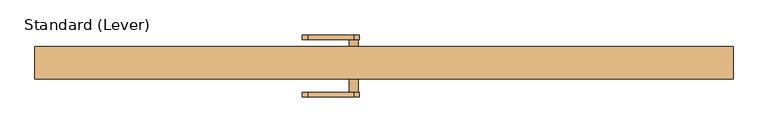
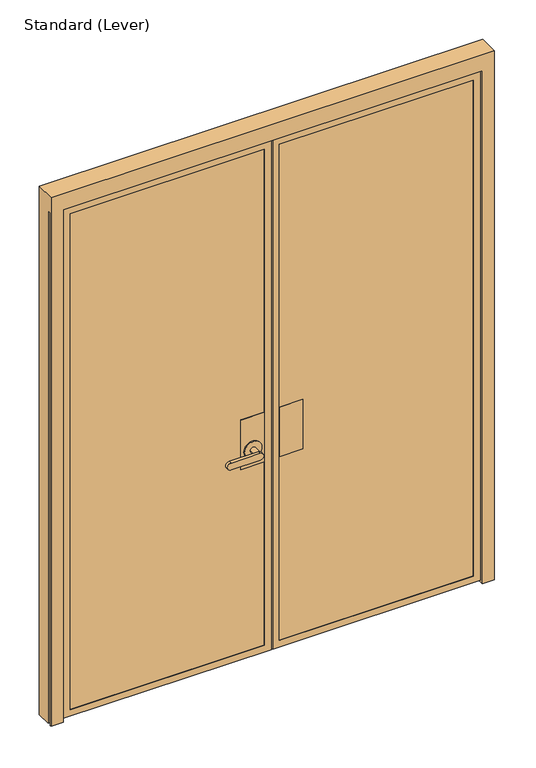
"""IFC4 building model written with IfcOpenShell, lengths in millimetres: door geometry, Standard (Lever)."""

from ifc_helpers import new_model, si_unit, frame, origin, place, context, project, spatial, polyline, circle_curve, outline, extrude, faceted_brep, source, transform, mapped, element, save
from ifc_brep_helpers import plane_surface, cylinder_surface, advanced_brep


def standard_lever_886a1fa8(model_context):
    return source(origin(), model_context, "Body", "SolidModel", [
        extrude(outline(polyline([(33.3375, 11.1125), (134.9375, 11.1125), (134.9375, -25.4), (33.3375, -25.4), (33.3375, 11.1125)])), frame((0.0, 0.0, 889.0), z_axis=(0.0, 0.0, 1.0), x_axis=(1.0, 0.0, 0.0)), (0.0, 0.0, 1.0), 228.6),
        extrude(outline(polyline([(33.3375, -34.925), (134.9375, -34.925), (134.9375, -36.5125), (33.3375, -36.5125), (33.3375, -34.925)])), frame((0.0, 0.0, 889.0), z_axis=(0.0, 0.0, 1.0), x_axis=(1.0, 0.0, 0.0)), (0.0, 0.0, 1.0), 228.6),
        extrude(outline(polyline([(33.3375, 22.225), (134.9375, 22.225), (134.9375, 20.6375), (33.3375, 20.6375), (33.3375, 22.225)])), frame((0.0, 0.0, 889.0), z_axis=(0.0, 0.0, 1.0), x_axis=(1.0, 0.0, 0.0)), (0.0, 0.0, 1.0), 228.6),
        faceted_brep([(-33.3375, 9.525, 1117.6), (-134.9375, 9.525, 1117.6), (-134.9375, -26.9875, 1117.6), (-33.3375, -26.9875, 1117.6), (-33.3375, 9.525, 889.0), (-33.3375, -26.9875, 889.0), (-134.9375, -26.9875, 889.0), (-134.9375, 9.525, 889.0)], [[[0, 1, 2, 3]], [[4, 5, 6, 7]], [[3, 5, 4, 0]], [[2, 6, 5, 3]], [[1, 7, 6, 2]], [[0, 4, 7, 1]]]),
        advanced_brep(
        [(-33.3375, -36.5125, 1117.6), (-134.9375, -36.5125, 1117.6), (-134.9375, -38.1, 1117.6), (-33.3375, -38.1, 1117.6), (-33.3375, -36.5125, 889.0), (-33.3375, -38.1, 889.0), (-134.9375, -38.1, 889.0), (-134.9375, -36.5125, 889.0), (-122.2375, -38.1, 965.2), (-46.0375, -38.1, 965.2), (-46.0375, -42.8625, 965.2), (-122.2375, -42.8625, 965.2), (-96.8375, -42.8625, 965.2), (-71.4375, -42.8625, 965.2), (-71.4375, -82.55, 965.2), (-96.8375, -82.55, 965.2), (-211.1375, -95.25, 949.325), (-84.1375, -95.25, 949.325), (-84.1375, -95.25, 981.075), (-211.1375, -95.25, 981.075), (-211.1375, -82.55, 949.325), (-211.1375, -82.55, 981.075), (-84.1375, -82.55, 981.075), (-84.1375, -82.55, 949.325)],
        [
            (0, 1),
            (1, 2),
            (2, 3),
            (3, 0),
            (4, 5),
            (5, 6),
            (6, 7),
            (7, 4),
            (3, 5),
            (4, 0),
            (2, 6),
            (8, 9, circle_curve(frame((-84.1375, -38.1, 965.2), z_axis=(0.0, 1.0, 0.0), x_axis=(-1.0, 0.0, 0.0)), 38.1)),
            (9, 8, circle_curve(frame((-84.1375, -38.1, 965.2), z_axis=(0.0, 1.0, 0.0), x_axis=(-1.0, 0.0, 0.0)), 38.1)),
            (1, 7),
            (10, 11, circle_curve(frame((-84.1375, -42.8625, 965.2), z_axis=(0.0, -1.0, 0.0), x_axis=(-1.0, 0.0, 0.0)), 38.1)),
            (11, 10, circle_curve(frame((-84.1375, -42.8625, 965.2), z_axis=(0.0, -1.0, 0.0), x_axis=(-1.0, 0.0, 0.0)), 38.1)),
            (12, 13, circle_curve(frame((-84.1375, -42.8625, 965.2), z_axis=(0.0, 1.0, 0.0), x_axis=(-1.0, 0.0, 0.0)), 12.7)),
            (13, 12, circle_curve(frame((-84.1375, -42.8625, 965.2), z_axis=(0.0, 1.0, 0.0), x_axis=(-1.0, 0.0, 0.0)), 12.7)),
            (11, 8),
            (9, 10),
            (14, 15, circle_curve(frame((-84.1375, -82.55, 965.2), z_axis=(0.0, 1.0, 0.0), x_axis=(-1.0, 0.0, 0.0)), 12.7)),
            (15, 12),
            (13, 14),
            (15, 14, circle_curve(frame((-84.1375, -82.55, 965.2), z_axis=(0.0, 1.0, 0.0), x_axis=(-1.0, 0.0, 0.0)), 12.7)),
            (16, 17),
            (17, 18, circle_curve(frame((-84.1375, -95.25, 965.2), z_axis=(0.0, -1.0, 0.0), x_axis=(-1.0, 0.0, 0.0)), 15.875)),
            (18, 19),
            (19, 16, circle_curve(frame((-211.1375, -95.25, 965.2), z_axis=(0.0, -1.0, 0.0), x_axis=(-1.0, 0.0, 0.0)), 15.875)),
            (20, 21, circle_curve(frame((-211.1375, -82.55, 965.2), z_axis=(0.0, 1.0, 0.0), x_axis=(-1.0, 0.0, 0.0)), 15.875)),
            (21, 22),
            (22, 23, circle_curve(frame((-84.1375, -82.55, 965.2), z_axis=(0.0, 1.0, 0.0), x_axis=(-1.0, 0.0, 0.0)), 15.875)),
            (23, 20),
            (19, 21),
            (20, 16),
            (18, 22),
            (17, 23),
        ],
        [
            plane_surface(frame((-33.3375, 20.6375, 1117.6), z_axis=(0.0, 0.0, 1.0), x_axis=(0.0, -1.0, 0.0))),
            plane_surface(frame((-33.3375, 20.6375, 889.0), z_axis=(0.0, 0.0, -1.0), x_axis=(0.0, 1.0, 0.0))),
            plane_surface(frame((-33.3375, -36.5125, 1117.6), z_axis=(1.0, 0.0, 0.0), x_axis=(0.0, 0.0, -1.0))),
            plane_surface(frame((-33.3375, -38.1, 1117.6), z_axis=(0.0, -1.0, 0.0), x_axis=(0.0, 0.0, -1.0))),
            plane_surface(frame((-134.9375, -38.1, 1117.6), z_axis=(-1.0, 0.0, 0.0), x_axis=(0.0, 0.0, -1.0))),
            plane_surface(frame((-134.9375, -36.5125, 1117.6), z_axis=(0.0, 1.0, 0.0), x_axis=(0.0, 0.0, -1.0))),
            plane_surface(frame((-122.2375, -42.8625, 965.2), z_axis=(0.0, -1.0, 0.0), x_axis=(0.0, 0.0, 1.0))),
            cylinder_surface(frame((-84.1375, -38.1, 965.2), z_axis=(0.0, -1.0, 0.0), x_axis=(-1.0, 0.0, 0.0)), 38.1),
            cylinder_surface(frame((-84.1375, -38.1, 965.2), z_axis=(0.0, -1.0, 0.0), x_axis=(-1.0, 0.0, 0.0)), 12.7),
            plane_surface(frame((-227.0125, -95.25, 965.2), z_axis=(0.0, -1.0, 0.0), x_axis=(0.0, 0.0, 1.0))),
            plane_surface(frame((-227.0125, -82.55, 965.2), z_axis=(0.0, 1.0, 0.0), x_axis=(0.0, 0.0, -1.0))),
            cylinder_surface(frame((-211.1375, -82.55, 965.2), z_axis=(0.0, -1.0, 0.0), x_axis=(-1.0, 0.0, 0.0)), 15.875),
            plane_surface(frame((-211.1375, -95.25, 981.075), z_axis=(0.0, 0.0, 1.0), x_axis=(0.0, 1.0, 0.0))),
            cylinder_surface(frame((-84.1375, -82.55, 965.2), z_axis=(0.0, -1.0, 0.0), x_axis=(-1.0, 0.0, 0.0)), 15.875),
            plane_surface(frame((-84.1375, -95.25, 949.325), z_axis=(0.0, 0.0, -1.0), x_axis=(0.0, 1.0, 0.0))),
        ],
        [
            (0, [[1, 2, 3, 4]]),
            (1, [[5, 6, 7, 8]]),
            (2, [[9, -5, 10, -4]]),
            (3, [[11, -6, -9, -3], [12, 13]]),
            (4, [[14, -7, -11, -2]]),
            (5, [[-10, -8, -14, -1]]),
            (6, [[15, 16], [17, 18]]),
            (7, [[19, -13, 20, -16]]),
            (7, [[-20, -12, -19, -15]]),
            (8, [[21, 22, -18, 23]]),
            (8, [[-17, -22, 24, -23]]),
            (9, [[25, 26, 27, 28]]),
            (10, [[29, 30, 31, 32], [-24, -21]]),
            (11, [[33, -29, 34, -28]]),
            (12, [[35, -30, -33, -27]]),
            (13, [[36, -31, -35, -26]]),
            (14, [[-34, -32, -36, -25]]),
        ],
    ),
        advanced_brep(
        [(-33.3375, 20.6375, 1117.6), (-134.875322, 20.6375, 1117.6), (-134.875322, 19.05, 1117.6), (-33.3375, 19.05, 1117.6), (-33.3375, 20.6375, 889.0), (-33.3375, 19.05, 889.0), (-134.875322, 19.05, 889.0), (-134.875322, 20.6375, 889.0), (-71.4375, 25.4, 965.2), (-96.8375, 25.4, 965.2), (-96.8375, 65.0875, 965.2), (-71.4375, 65.0875, 965.2), (-46.0375, 25.4, 965.2), (-122.2375, 25.4, 965.2), (-46.0375, 20.6375, 965.2), (-122.2375, 20.6375, 965.2), (-84.1375, 65.0875, 949.325), (-84.1375, 65.0875, 981.075), (-211.1375, 65.0875, 981.075), (-211.1375, 65.0875, 949.325), (-84.1375, 77.7875, 949.325), (-211.1375, 77.7875, 949.325), (-211.1375, 77.7875, 981.075), (-84.1375, 77.7875, 981.075)],
        [
            (0, 1),
            (1, 2),
            (2, 3),
            (3, 0),
            (4, 5),
            (5, 6),
            (6, 7),
            (7, 4),
            (8, 9, circle_curve(frame((-84.1375, 25.4, 965.2), z_axis=(0.0, 1.0, 0.0), x_axis=(-1.0, 0.0, 0.0)), 12.7)),
            (9, 10),
            (10, 11, circle_curve(frame((-84.1375, 65.0875, 965.2), z_axis=(0.0, -1.0, 0.0), x_axis=(-1.0, 0.0, 0.0)), 12.7)),
            (11, 8),
            (11, 10, circle_curve(frame((-84.1375, 65.0875, 965.2), z_axis=(0.0, -1.0, 0.0), x_axis=(-1.0, 0.0, 0.0)), 12.7)),
            (9, 8, circle_curve(frame((-84.1375, 25.4, 965.2), z_axis=(0.0, 1.0, 0.0), x_axis=(-1.0, 0.0, 0.0)), 12.7)),
            (12, 13, circle_curve(frame((-84.1375, 25.4, 965.2), z_axis=(0.0, 1.0, 0.0), x_axis=(-1.0, 0.0, 0.0)), 38.1)),
            (13, 12, circle_curve(frame((-84.1375, 25.4, 965.2), z_axis=(0.0, 1.0, 0.0), x_axis=(-1.0, 0.0, 0.0)), 38.1)),
            (12, 14),
            (14, 15, circle_curve(frame((-84.1375, 20.6375, 965.2), z_axis=(0.0, 1.0, 0.0), x_axis=(-1.0, 0.0, 0.0)), 38.1)),
            (15, 13),
            (15, 14, circle_curve(frame((-84.1375, 20.6375, 965.2), z_axis=(0.0, 1.0, 0.0), x_axis=(-1.0, 0.0, 0.0)), 38.1)),
            (16, 17, circle_curve(frame((-84.1375, 65.0875, 965.2), z_axis=(0.0, -1.0, 0.0), x_axis=(-1.0, 0.0, 0.0)), 15.875)),
            (17, 18),
            (18, 19, circle_curve(frame((-211.1375, 65.0875, 965.2), z_axis=(0.0, -1.0, 0.0), x_axis=(-1.0, 0.0, 0.0)), 15.875)),
            (19, 16),
            (20, 21),
            (21, 22, circle_curve(frame((-211.1375, 77.7875, 965.2), z_axis=(0.0, 1.0, 0.0), x_axis=(-1.0, 0.0, 0.0)), 15.875)),
            (22, 23),
            (23, 20, circle_curve(frame((-84.1375, 77.7875, 965.2), z_axis=(0.0, 1.0, 0.0), x_axis=(-1.0, 0.0, 0.0)), 15.875)),
            (19, 21),
            (20, 16),
            (18, 22),
            (17, 23),
            (3, 5),
            (4, 0),
            (2, 6),
            (1, 7),
        ],
        [
            plane_surface(frame((-33.3375, 20.6375, 1117.6), z_axis=(0.0, 0.0, 1.0), x_axis=(0.0, -1.0, 0.0))),
            plane_surface(frame((-33.3375, 20.6375, 889.0), z_axis=(0.0, 0.0, -1.0), x_axis=(0.0, 1.0, 0.0))),
            cylinder_surface(frame((-84.1375, 65.0875, 965.2), z_axis=(0.0, -1.0, 0.0), x_axis=(-1.0, 0.0, 0.0)), 12.7),
            plane_surface(frame((-122.2375, 25.4, 965.2), z_axis=(0.0, 1.0, 0.0), x_axis=(0.0, 0.0, -1.0))),
            cylinder_surface(frame((-84.1375, 25.4, 965.2), z_axis=(0.0, -1.0, 0.0), x_axis=(-1.0, 0.0, 0.0)), 38.1),
            plane_surface(frame((-84.1375, 65.0875, 949.325), z_axis=(0.0, -1.0, 0.0), x_axis=(-1.0, 0.0, 0.0))),
            plane_surface(frame((-84.1375, 77.7875, 949.325), z_axis=(0.0, 1.0, 0.0), x_axis=(1.0, 0.0, 0.0))),
            plane_surface(frame((-84.1375, 65.0875, 949.325), z_axis=(0.0, 0.0, -1.0), x_axis=(0.0, 1.0, 0.0))),
            cylinder_surface(frame((-211.1375, 77.7875, 965.2), z_axis=(0.0, -1.0, 0.0), x_axis=(-1.0, 0.0, 0.0)), 15.875),
            plane_surface(frame((-211.1375, 65.0875, 981.075), z_axis=(0.0, 0.0, 1.0), x_axis=(0.0, 1.0, 0.0))),
            cylinder_surface(frame((-84.1375, 77.7875, 965.2), z_axis=(0.0, -1.0, 0.0), x_axis=(-1.0, 0.0, 0.0)), 15.875),
            plane_surface(frame((-33.3375, 20.6375, 1117.6), z_axis=(1.0, 0.0, 0.0), x_axis=(0.0, 0.0, -1.0))),
            plane_surface(frame((-33.3375, 19.05, 1117.6), z_axis=(0.0, -1.0, 0.0), x_axis=(0.0, 0.0, -1.0))),
            plane_surface(frame((-134.875322, 19.05, 1117.6), z_axis=(-1.0, 0.0, 0.0), x_axis=(0.0, 0.0, -1.0))),
            plane_surface(frame((-134.875322, 20.6375, 1117.6), z_axis=(0.0, 1.0, 0.0), x_axis=(0.0, 0.0, -1.0))),
        ],
        [
            (0, [[1, 2, 3, 4]]),
            (1, [[5, 6, 7, 8]]),
            (2, [[9, 10, 11, 12]]),
            (2, [[13, -10, 14, -12]]),
            (3, [[15, 16], [-14, -9]]),
            (4, [[17, 18, 19, -15]]),
            (4, [[-19, 20, -17, -16]]),
            (5, [[21, 22, 23, 24], [-13, -11]]),
            (6, [[25, 26, 27, 28]]),
            (7, [[29, -25, 30, -24]]),
            (8, [[31, -26, -29, -23]]),
            (9, [[32, -27, -31, -22]]),
            (10, [[-30, -28, -32, -21]]),
            (11, [[33, -5, 34, -4]]),
            (12, [[35, -6, -33, -3]]),
            (13, [[36, -7, -35, -2]]),
            (14, [[-34, -8, -36, -1], [-20, -18]]),
        ],
    ),
        faceted_brep([(909.6374977, 6.35, 12.7), (909.6374977, 6.35, 2360.6125), (909.6374977, -38.1, 2360.6125), (909.6374977, -38.1, 12.7), (3.175, -38.1, 12.7), (3.175, 6.35, 12.7), (3.175, 6.35, 30.1625), (19.05, 6.35, 30.1625), (19.05, 6.35, 28.575), (893.7624977, 6.35, 28.575), (893.7624977, 6.35, 2344.7375), (19.05, 6.35, 2344.7375), (19.05, 6.35, 2343.15), (3.175, 6.35, 2343.15), (3.175, 6.35, 2360.6125), (3.175, -38.1, 2360.6125), (3.175, 20.6375, 2343.15), (3.175, 20.6375, 30.1625), (33.3375, -38.1, 42.8625), (33.3375, -38.1, 2330.45), (879.4749977, -38.1, 2330.45), (879.4749977, -38.1, 42.8625), (879.4749977, -36.5125, 2330.45), (879.4749977, -36.5125, 42.8625), (33.3375, -36.5125, 42.8625), (33.3375, -36.5125, 2330.45), (20.6375, -36.5125, 30.1625), (20.6375, -36.5125, 2343.15), (892.1749977, -36.5125, 2343.15), (892.1749977, -36.5125, 30.1625), (892.1749977, -26.9875, 2343.15), (892.1749977, -26.9875, 30.1625), (20.6375, -26.9875, 30.1625), (20.6375, -26.9875, 2343.15), (33.3375, -26.9875, 42.8625), (33.3375, -26.9875, 2330.45), (879.4749977, -26.9875, 2330.45), (879.4749977, -26.9875, 42.8625), (879.4749977, 9.525, 2330.45), (879.4749977, 9.525, 42.8625), (33.3375, 9.525, 42.8625), (33.3375, 9.525, 2330.45), (20.6375, 9.525, 30.1625), (20.6375, 9.525, 2343.15), (892.1749977, 9.525, 2343.15), (892.1749977, 9.525, 30.1625), (19.05, 20.6375, 30.1625), (893.7624977, 20.6375, 28.575), (19.05, 20.6375, 28.575), (19.05, 20.6375, 2343.15), (19.05, 20.6375, 2344.7375), (893.7624977, 20.6375, 2344.7375), (33.3375, 20.6375, 42.8625), (879.4749977, 20.6375, 42.8625), (879.4749977, 20.6375, 2330.45), (33.3375, 20.6375, 2330.45), (33.3375, 19.05, 2330.45), (33.3375, 19.05, 42.8625), (879.4749977, 19.05, 42.8625), (879.4749977, 19.05, 2330.45), (892.1749977, 19.05, 2343.15), (892.1749977, 19.05, 30.1625), (20.6375, 19.05, 30.1625), (20.6375, 19.05, 2343.15)], [[[0, 1, 2, 3]], [[3, 4, 5, 0]], [[5, 6, 7, 8, 9, 10, 11, 12, 13, 14, 1, 0]], [[4, 15, 14, 13, 16, 17, 6, 5]], [[3, 2, 15, 4], [18, 19, 20, 21]], [[21, 20, 22, 23]], [[23, 24, 18, 21]], [[24, 25, 19, 18]], [[26, 27, 28, 29], [23, 22, 25, 24]], [[29, 28, 30, 31]], [[31, 32, 26, 29]], [[32, 33, 27, 26]], [[31, 30, 33, 32], [34, 35, 36, 37]], [[37, 36, 38, 39]], [[39, 40, 34, 37]], [[40, 41, 35, 34]], [[42, 43, 44, 45], [39, 38, 41, 40]], [[46, 7, 6, 17]], [[47, 48, 46, 17, 16, 49, 50, 51], [52, 53, 54, 55]], [[55, 56, 57, 52]], [[53, 58, 59, 54]], [[52, 57, 58, 53]], [[51, 10, 9, 47]], [[8, 7, 46, 48]], [[50, 49, 12, 11]], [[47, 9, 8, 48]], [[45, 44, 60, 61]], [[61, 62, 42, 45]], [[62, 63, 43, 42]], [[61, 60, 63, 62], [58, 57, 56, 59]], [[13, 12, 49, 16]], [[15, 2, 1, 14]], [[25, 22, 20, 19]], [[33, 30, 28, 27]], [[41, 38, 36, 35]], [[54, 59, 56, 55]], [[50, 11, 10, 51]], [[63, 60, 44, 43]]]),
        faceted_brep([(-3.175, 20.6375, 30.1625), (-3.175, 6.35, 30.1625), (-19.05, 6.35, 30.1625), (-19.05, 20.6375, 30.1625), (-3.175, 20.6375, 2343.15), (-19.05, 20.6375, 28.575), (-893.7624977, 20.6375, 28.575), (-893.7624977, 20.6375, 2344.7375), (-19.05, 20.6375, 2344.7375), (-19.05, 20.6375, 2343.15), (-879.4749977, 20.6375, 2330.45), (-879.4749977, 20.6375, 42.8625), (-33.3375, 20.6375, 42.8625), (-33.3375, 20.6375, 2330.45), (-19.05, 6.35, 28.575), (-19.05, 6.35, 2344.7375), (-19.05, 6.35, 2343.15), (-909.6374977, 6.35, 2360.6125), (-3.175, 6.35, 2360.6125), (-3.175, 6.35, 2343.15), (-893.7624977, 6.35, 2344.7375), (-893.7624977, 6.35, 28.575), (-3.175, 6.35, 12.7), (-909.6374977, 6.35, 12.7), (-3.175, -38.1, 2360.6125), (-3.175, -38.1, 12.7), (-909.6374977, -38.1, 12.7), (-909.6374977, -38.1, 2360.6125), (-879.4749977, -38.1, 2330.45), (-33.3375, -38.1, 2330.45), (-33.3375, -38.1, 42.8625), (-879.4749977, -38.1, 42.8625), (-33.3375, 19.05, 42.8625), (-33.3375, 19.05, 2330.45), (-879.4749977, 19.05, 42.8625), (-879.4749977, 19.05, 2330.45), (-892.1749977, -36.5125, 2343.15), (-892.1749977, -36.5125, 30.1625), (-892.1749977, -26.9875, 30.1625), (-892.1749977, -26.9875, 2343.15), (-20.6375, -26.9875, 30.1625), (-20.6375, -26.9875, 2343.15), (-879.4749977, -26.9875, 2330.45), (-33.3375, -26.9875, 2330.45), (-33.3375, -26.9875, 42.8625), (-879.4749977, -26.9875, 42.8625), (-20.6375, -36.5125, 30.1625), (-20.6375, -36.5125, 2343.15), (-879.4749977, -36.5125, 42.8625), (-33.3375, -36.5125, 42.8625), (-33.3375, -36.5125, 2330.45), (-879.4749977, -36.5125, 2330.45), (-879.4749977, 9.525, 42.8625), (-879.4749977, 9.525, 2330.45), (-20.6375, 9.525, 2343.15), (-20.6375, 9.525, 30.1625), (-892.1749977, 9.525, 30.1625), (-892.1749977, 9.525, 2343.15), (-33.3375, 9.525, 42.8625), (-33.3375, 9.525, 2330.45), (-892.1749977, 19.05, 30.1625), (-892.1749977, 19.05, 2343.15), (-20.6375, 19.05, 30.1625), (-20.6375, 19.05, 2343.15)], [[[0, 1, 2, 3]], [[4, 0, 3, 5, 6, 7, 8, 9], [10, 11, 12, 13]], [[5, 3, 2, 14]], [[15, 16, 9, 8]], [[17, 18, 19, 16, 15, 20, 21, 14, 2, 1, 22, 23]], [[19, 18, 24, 25, 22, 1, 0, 4]], [[23, 22, 25, 26]], [[26, 25, 24, 27], [28, 29, 30, 31]], [[6, 21, 20, 7]], [[5, 14, 21, 6]], [[12, 32, 33, 13]], [[11, 34, 32, 12]], [[10, 35, 34, 11]], [[36, 37, 38, 39]], [[38, 40, 41, 39], [42, 43, 44, 45]], [[37, 46, 40, 38]], [[36, 47, 46, 37], [48, 49, 50, 51]], [[28, 31, 48, 51]], [[31, 30, 49, 48]], [[17, 23, 26, 27]], [[46, 47, 41, 40]], [[30, 29, 50, 49]], [[42, 45, 52, 53]], [[54, 55, 56, 57], [52, 58, 59, 53]], [[45, 44, 58, 52]], [[44, 43, 59, 58]], [[57, 56, 60, 61]], [[61, 60, 62, 63], [35, 33, 32, 34]], [[56, 55, 62, 60]], [[63, 62, 55, 54]], [[4, 9, 16, 19]], [[27, 24, 18, 17]], [[7, 20, 15, 8]], [[13, 33, 35, 10]], [[39, 41, 47, 36]], [[51, 50, 29, 28]], [[53, 59, 43, 42]], [[54, 57, 61, 63]]]),
        extrude(outline(polyline([(20.6375, -26.9875), (892.1749977, -26.9875), (892.1749977, -36.5125), (20.6375, -36.5125), (20.6375, -26.9875)])), frame((0.0, 0.0, 30.1625), z_axis=(0.0, 0.0, 1.0), x_axis=(1.0, 0.0, 0.0)), (0.0, 0.0, 1.0), 2312.9875),
        extrude(outline(polyline([(892.1749977, 9.525), (20.6375, 9.525), (20.6375, 19.05), (892.1749977, 19.05), (892.1749977, 9.525)])), frame((0.0, 0.0, 30.1625), z_axis=(0.0, 0.0, 1.0), x_axis=(1.0, 0.0, 0.0)), (0.0, 0.0, 1.0), 2312.9875),
        extrude(outline(polyline([(-20.6375, -36.5125), (-892.1749977, -36.5125), (-892.1749977, -26.9875), (-20.6375, -26.9875), (-20.6375, -36.5125)])), frame((0.0, 0.0, 30.1625), z_axis=(0.0, 0.0, 1.0), x_axis=(1.0, 0.0, 0.0)), (0.0, 0.0, 1.0), 2312.9875),
        extrude(outline(polyline([(-892.1749977, 9.525), (-892.1749977, 19.05), (-20.6375, 19.05), (-20.6375, 9.525), (-892.1749977, 9.525)])), frame((0.0, 0.0, 30.1625), z_axis=(0.0, 0.0, 1.0), x_axis=(1.0, 0.0, 0.0)), (0.0, 0.0, 1.0), 2312.9875),
        faceted_brep([(914.3999977, 44.45, 0.0), (966.7875, 44.45, 0.0), (966.7875, -21.749999, 0.0), (960.3132562, -21.749999, 0.0), (959.3132405, -20.7499834, 0.0), (960.8875134, -20.7499834, 0.0), (960.8875134, -18.949936, 0.0), (955.8875186, -18.949936, 0.0), (955.8875186, -20.7499834, 0.0), (957.461756, -20.7499834, 0.0), (956.4617434, -21.7499959, 0.0), (935.0375, -21.7499959, 0.0), (935.0375, -38.1499966, 0.0), (956.4617503, -38.1499966, 0.0), (957.461756, -39.1500023, 0.0), (955.8874831, -39.1500023, 0.0), (955.8874831, -40.9498819, 0.0), (960.8874778, -40.9498819, 0.0), (960.8874778, -39.1500023, 0.0), (959.3132405, -39.1500023, 0.0), (960.3132531, -38.1499897, 0.0), (966.7874977, -38.1499897, 0.0), (966.7874977, -44.45, 0.0), (914.3999977, -44.45, 0.0), (914.3999977, 9.525, 0.0), (900.1124977, 9.525, 0.0), (900.1124977, 20.6375, 0.0), (914.3999977, 20.6375, 0.0), (966.7875, 44.45, 2438.4), (966.7875, -44.45, 2438.4), (966.7875, -38.1499897, 2365.375), (966.7875, -21.749999, 2365.375), (960.3132562, -21.749999, 2365.375), (960.3132531, -38.1499897, 2365.375), (-966.7875, -44.45, 2438.4), (-966.7874977, -44.45, 0.0), (-914.3999977, -44.45, 0.0), (-914.3999977, -44.45, 2365.375), (914.3999977, -44.45, 2365.375), (914.3999977, 44.45, 2365.375), (-914.3999977, 44.45, 2365.375), (-914.3999977, 44.45, 0.0), (-966.7875, 44.45, 0.0), (-966.7875, 44.45, 2438.4), (-914.3999977, 20.6375, 0.0), (-900.1124977, 20.6375, 0.0), (-900.1124977, 9.525, 0.0), (-914.3999977, 9.525, 0.0), (-966.7874977, -38.1499897, 0.0), (-960.3132531, -38.1499897, 0.0), (-959.3132405, -39.1500023, 0.0), (-960.8874778, -39.1500023, 0.0), (-960.8874778, -40.9498819, 0.0), (-955.8874831, -40.9498819, 0.0), (-955.8874831, -39.1500023, 0.0), (-957.461756, -39.1500023, 0.0), (-956.4617503, -38.1499966, 0.0), (-935.0375, -38.1499966, 0.0), (-935.0375, -21.7499959, 0.0), (-956.4617434, -21.7499959, 0.0), (-957.461756, -20.7499834, 0.0), (-955.8875186, -20.7499834, 0.0), (-955.8875186, -18.949936, 0.0), (-960.8875134, -18.949936, 0.0), (-960.8875134, -20.7499834, 0.0), (-959.3132405, -20.7499834, 0.0), (-960.3132562, -21.749999, 0.0), (-966.7875, -21.749999, 0.0), (-966.7875, -21.749999, 2365.375), (-966.7875, -38.1499897, 2365.375), (-960.3132531, -38.1499897, 2365.375), (-960.3132562, -21.749999, 2365.375), (-914.3999977, 20.6375, 2365.375), (914.3999977, 20.6375, 2365.375), (914.3999977, 9.525, 2365.375), (-914.3999977, 9.525, 2365.375), (900.1124977, 20.6375, 2351.0875), (-900.1124977, 20.6375, 2351.0875), (-900.1124977, 9.525, 2351.0875), (900.1124977, 9.525, 2351.0875), (-959.3132405, -20.7499834, 2365.375), (-960.8875134, -20.7499834, 2365.375), (-960.8875134, -18.949936, 2365.375), (-955.8875186, -18.949936, 2365.375), (-955.8875186, -20.7499834, 2365.375), (-957.461756, -20.7499834, 2365.375), (-956.4617434, -21.7499959, 2365.375), (-935.0375, -21.7499959, 2365.375), (-935.0375, -38.1499966, 2365.375), (-956.4617503, -38.1499966, 2365.375), (-957.461756, -39.1500023, 2365.375), (-955.8874831, -39.1500023, 2365.375), (-955.8874831, -40.9498819, 2365.375), (-960.8874778, -40.9498819, 2365.375), (-960.8874778, -39.1500023, 2365.375), (-959.3132405, -39.1500023, 2365.375), (959.3132405, -39.1500023, 2365.375), (960.8874778, -39.1500023, 2365.375), (960.8874778, -40.9498819, 2365.375), (955.8874831, -40.9498819, 2365.375), (955.8874831, -39.1500023, 2365.375), (957.461756, -39.1500023, 2365.375), (956.4617503, -38.1499966, 2365.375), (935.0375, -38.1499966, 2365.375), (935.0375, -21.7499959, 2365.375), (956.4617434, -21.7499959, 2365.375), (957.461756, -20.7499834, 2365.375), (955.8875186, -20.7499834, 2365.375), (955.8875186, -18.949936, 2365.375), (960.8875134, -18.949936, 2365.375), (960.8875134, -20.7499834, 2365.375), (959.3132405, -20.7499834, 2365.375)], [[[0, 1, 2, 3, 4, 5, 6, 7, 8, 9, 10, 11, 12, 13, 14, 15, 16, 17, 18, 19, 20, 21, 22, 23, 24, 25, 26, 27]], [[1, 28, 29, 22, 21, 30, 31, 2]], [[2, 31, 32, 3]], [[20, 33, 30, 21]], [[29, 34, 35, 36, 37, 38, 23, 22]], [[1, 0, 39, 40, 41, 42, 43, 28]], [[41, 44, 45, 46, 47, 36, 35, 48, 49, 50, 51, 52, 53, 54, 55, 56, 57, 58, 59, 60, 61, 62, 63, 64, 65, 66, 67, 42]], [[67, 68, 69, 48, 35, 34, 43, 42]], [[48, 69, 70, 49]], [[66, 71, 68, 67]], [[41, 40, 72, 44]], [[73, 39, 0, 27]], [[23, 38, 74, 24]], [[47, 75, 37, 36]], [[44, 72, 73, 27, 26, 76, 77, 45]], [[45, 77, 78, 46]], [[25, 79, 76, 26]], [[46, 78, 79, 25, 24, 74, 75, 47]], [[65, 80, 71, 66]], [[64, 81, 80, 65]], [[63, 82, 81, 64]], [[62, 83, 82, 63]], [[61, 84, 83, 62]], [[60, 85, 84, 61]], [[59, 86, 85, 60]], [[58, 87, 86, 59]], [[57, 88, 87, 58]], [[56, 89, 88, 57]], [[55, 90, 89, 56]], [[54, 91, 90, 55]], [[53, 92, 91, 54]], [[52, 93, 92, 53]], [[51, 94, 93, 52]], [[50, 95, 94, 51]], [[49, 70, 95, 50]], [[19, 96, 33, 20]], [[18, 97, 96, 19]], [[17, 98, 97, 18]], [[16, 99, 98, 17]], [[15, 100, 99, 16]], [[14, 101, 100, 15]], [[13, 102, 101, 14]], [[12, 103, 102, 13]], [[11, 104, 103, 12]], [[10, 105, 104, 11]], [[9, 106, 105, 10]], [[8, 107, 106, 9]], [[7, 108, 107, 8]], [[6, 109, 108, 7]], [[5, 110, 109, 6]], [[4, 111, 110, 5]], [[3, 32, 111, 4]], [[68, 71, 80, 81, 82, 83, 84, 85, 86, 87, 88, 89, 90, 91, 92, 93, 94, 95, 70, 69]], [[30, 33, 96, 97, 98, 99, 100, 101, 102, 103, 104, 105, 106, 107, 108, 109, 110, 111, 32, 31]], [[74, 38, 37, 75]], [[29, 28, 43, 34]], [[40, 39, 73, 72]], [[77, 76, 79, 78]]]),
    ])


if __name__ == "__main__":
    model = new_model("IFC4")
    model_context = context("Model", 3, world=origin())
    ifc_project = project(units=[si_unit("LENGTHUNIT", "METRE", prefix="MILLI")], contexts=[model_context])
    site = spatial("IfcSite", under=ifc_project)
    building = spatial("IfcBuilding", under=site)
    placement = place(None, origin())
    standard_lever_shape = standard_lever_886a1fa8(model_context)
    element("IfcDoor", 1, ObjectType="Standard (Lever)", at=placement, inside=building, context=model_context, shape_type="MappedRepresentation", body=[
        mapped(standard_lever_shape, transform((0.0, 0.0, 0.0), x_axis=(1.0, 0.0, 0.0), y_axis=(0.0, 1.0, 0.0), z_axis=(0.0, 0.0, 1.0))),
    ])
    save(model, "model.ifc")
